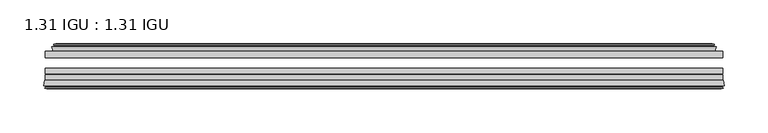
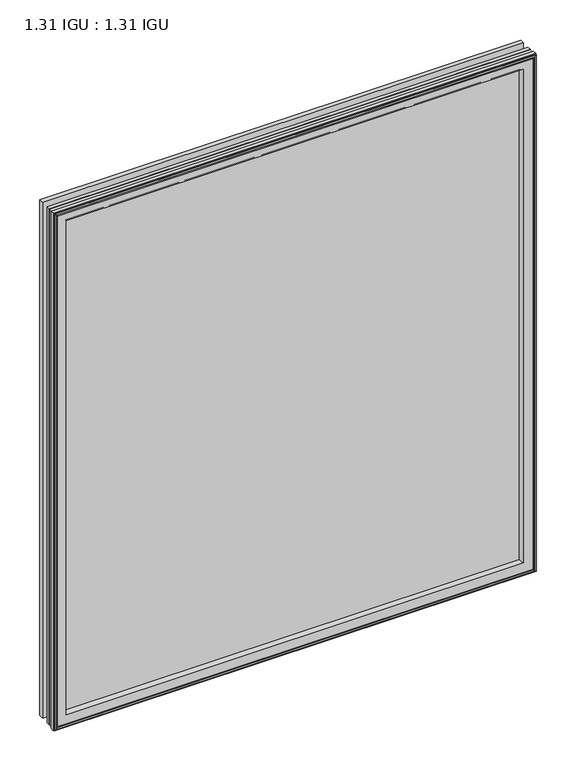
"""IFC4 building model written with IfcOpenShell, lengths in millimetres: plate geometry, 1.31 IGU : 1.31 IGU."""

from ifc_helpers import new_model, si_unit, frame, origin, place, context, project, spatial, polyline, ellipse_curve, outline, extrude, faceted_brep, source, transform, mapped, element, save
from ifc_brep_helpers import plane_surface, revolved_surface, advanced_brep


def plate_1_31_igu_1_31_igu_892af6a4(model_context):
    return source(origin(), model_context, "Body", "SolidModel", [
        extrude(outline(polyline([(386.5221354, -17.9712937), (386.5221354, -25.8960937), (-386.5221354, -25.8960937), (-386.5221354, -17.9712937), (386.5221354, -17.9712937)])), frame((0.0, 0.0, -19.05), z_axis=(0.0, 0.0, 1.0), x_axis=(1.0, 0.0, 0.0)), (0.0, 0.0, 1.0), 876.3),
        extrude(outline(polyline([(-386.5221354, -51.2960937), (-386.5221354, -44.9460937), (386.5221354, -44.9460937), (386.5221354, -51.2960937), (-386.5221354, -51.2960937)])), frame((0.0, 0.0, -19.05), z_axis=(0.0, 0.0, 1.0), x_axis=(1.0, 0.0, 0.0)), (0.0, 0.0, 1.0), 876.3),
        extrude(outline(polyline([(-386.5221354, -44.1586938), (-386.5221354, -37.8086938), (386.5221354, -37.8086938), (386.5221354, -44.1586938), (-386.5221354, -44.1586938)])), frame((0.0, 0.0, -19.05), z_axis=(0.0, 0.0, 1.0), x_axis=(1.0, 0.0, 0.0)), (0.0, 0.0, 1.0), 876.3),
        faceted_brep([(-377.6035358, -17.9712937, 848.3314005), (-379.2477691, -13.1960937, 849.9756337), (-379.2477691, -13.1960937, -11.7756337), (-377.6035358, -17.9712937, -10.1314005), (-367.9928354, -13.1960937, 838.7207), (-366.8234048, -17.9712937, 837.5512695), (-366.8234048, -17.9712937, 0.6487305), (-367.9928354, -13.1960937, -0.5207), (-373.5575556, -10.902778, 844.2854203), (-372.9430635, -13.1960937, 843.6709281), (-372.9430635, -13.1960937, -5.4709281), (-373.5575556, -10.902778, -6.0854203), (-372.1653063, -11.27583, 842.8931709), (-372.1653063, -11.27583, -4.6931709), (-371.933989, -10.4125422, 842.6618537), (-371.933989, -10.4125422, -4.4618537), (-374.3428354, -9.7670937, 845.0707), (-374.3428354, -9.7670937, -6.8707), (-376.7516817, -10.4125422, 847.4795463), (-376.7516817, -10.4125422, -9.2795463), (-376.5203644, -11.27583, 847.2482291), (-376.5203644, -11.27583, -9.0482291), (-375.1335368, -10.9042307, 845.8614014), (-375.1335368, -10.9042307, -7.6614014), (-375.8782082, -13.1960937, 846.6060729), (-375.8782082, -13.1960937, -8.4060729), (379.2477691, -13.1960937, -11.7756337), (377.6035358, -17.9712937, -10.1314005), (366.8234048, -17.9712937, 0.6487305), (367.9928354, -13.1960937, -0.5207), (372.9430635, -13.1960937, -5.4709281), (373.5575556, -10.902778, -6.0854203), (372.1653063, -11.27583, -4.6931709), (371.933989, -10.4125422, -4.4618537), (374.3428354, -9.7670937, -6.8707), (376.7516817, -10.4125422, -9.2795463), (376.5203644, -11.27583, -9.0482291), (375.1335368, -10.9042307, -7.6614014), (375.8782082, -13.1960937, -8.4060729), (379.2477691, -13.1960937, 849.9756337), (377.6035358, -17.9712937, 848.3314005), (366.8234048, -17.9712937, 837.5512695), (367.9928354, -13.1960937, 838.7207), (372.9430635, -13.1960937, 843.6709281), (373.5575556, -10.902778, 844.2854203), (372.1653063, -11.27583, 842.8931709), (371.933989, -10.4125422, 842.6618537), (374.3428354, -9.7670937, 845.0707), (376.7516817, -10.4125422, 847.4795463), (376.5203644, -11.27583, 847.2482291), (375.1335368, -10.9042307, 845.8614014), (375.8782082, -13.1960937, 846.6060729)], [[[0, 1, 2, 3]], [[4, 5, 6, 7]], [[8, 9, 10, 11]], [[12, 8, 11, 13]], [[14, 12, 13, 15]], [[16, 14, 15, 17]], [[18, 16, 17, 19]], [[20, 18, 19, 21]], [[22, 20, 21, 23]], [[24, 22, 23, 25]], [[3, 2, 26, 27]], [[7, 6, 28, 29]], [[11, 10, 30, 31]], [[13, 11, 31, 32]], [[15, 13, 32, 33]], [[17, 15, 33, 34]], [[19, 17, 34, 35]], [[21, 19, 35, 36]], [[23, 21, 36, 37]], [[25, 23, 37, 38]], [[27, 26, 39, 40]], [[29, 28, 41, 42]], [[31, 30, 43, 44]], [[32, 31, 44, 45]], [[33, 32, 45, 46]], [[34, 33, 46, 47]], [[35, 34, 47, 48]], [[36, 35, 48, 49]], [[37, 36, 49, 50]], [[38, 37, 50, 51]], [[40, 39, 1, 0]], [[3, 27, 40, 0], [5, 41, 28, 6]], [[42, 41, 5, 4]], [[9, 43, 30, 10], [7, 29, 42, 4]], [[44, 43, 9, 8]], [[45, 44, 8, 12]], [[46, 45, 12, 14]], [[47, 46, 14, 16]], [[48, 47, 16, 18]], [[49, 48, 18, 20]], [[50, 49, 20, 22]], [[51, 50, 22, 24]], [[1, 39, 26, 2], [25, 38, 51, 24]]]),
        advanced_brep(
        [(-363.8348204, -51.2960937, 834.5626851), (-367.4721354, -57.6460937, 838.2), (-367.4721354, -57.6460937, 0.0), (-363.8348204, -51.2960937, 3.6373149), (-388.1179137, -57.6460937, 858.8457783), (-387.3382317, -51.2960937, 858.0660964), (-387.3382317, -51.2960937, -19.8660964), (-388.1179137, -57.6460937, -20.6457783), (-385.7179098, -59.6558685, 856.4457744), (-386.1769366, -57.6460937, 856.9048013), (-386.1769366, -57.6460937, -18.7048013), (-385.7179098, -59.6558685, -18.2457744), (-386.7015941, -59.3738016, 857.4294588), (-386.7015941, -59.3738016, -19.2294588), (-386.9550786, -60.2578071, 857.6829433), (-386.9550786, -60.2578071, -19.4829433), (-384.9321351, -60.8378768, 855.6599998), (-384.9321351, -60.8378768, -17.4599998), (-382.8884743, -60.2902795, 853.6163389), (-382.8884743, -60.2902795, -15.4163389), (-383.1333436, -59.3764147, 853.8612083), (-383.1333436, -59.3764147, -15.6612083), (-384.1559774, -59.6504286, 854.8838421), (-384.1559774, -59.6504286, -16.6838421), (-383.6932403, -57.6460937, 854.4211049), (-383.6932403, -57.6460937, -16.2211049), (367.4721354, -57.6460938, 0.0), (363.8348204, -51.2960937, 3.6373149), (387.3382317, -51.2960937, -19.8660964), (388.1179137, -57.6460938, -20.6457783), (386.1769366, -57.6460938, -18.7048013), (385.7179098, -59.6558685, -18.2457744), (386.7015941, -59.3738016, -19.2294588), (386.9550786, -60.2578071, -19.4829433), (384.9321351, -60.8378768, -17.4599998), (382.8884743, -60.2902795, -15.4163389), (383.1333436, -59.3764147, -15.6612083), (384.1559774, -59.6504286, -16.6838421), (383.6932403, -57.6460938, -16.2211049), (367.4721354, -57.6460938, 838.2), (363.8348204, -51.2960937, 834.5626851), (387.3382317, -51.2960937, 858.0660964), (388.1179137, -57.6460938, 858.8457783), (386.1769366, -57.6460938, 856.9048013), (385.7179098, -59.6558685, 856.4457744), (386.7015941, -59.3738016, 857.4294588), (386.9550786, -60.2578071, 857.6829433), (384.9321351, -60.8378768, 855.6599998), (382.8884743, -60.2902795, 853.6163389), (383.1333436, -59.3764147, 853.8612083), (384.1559774, -59.6504286, 854.8838421), (383.6932403, -57.6460938, 854.4211049)],
        [
            (0, 1, ellipse_curve(frame((-359.0411903, -58.2586484, 829.769055), z_axis=(0.7071067811865475, 0.0, 0.7071067811865475), x_axis=(0.7071067811865474, 0.0, -0.7071067811865476)), 11.9545855, 8.4531685)),
            (1, 2),
            (2, 3, ellipse_curve(frame((-359.0411903, -58.2586484, 8.430945), z_axis=(0.7071067811865475, 0.0, -0.7071067811865475), x_axis=(-0.7071067811865474, 0.0, -0.7071067811865476)), 11.9545855, 8.4531685)),
            (3, 0),
            (4, 5),
            (5, 6),
            (6, 7),
            (7, 4),
            (8, 9),
            (9, 10),
            (10, 11),
            (11, 8),
            (12, 8),
            (11, 13),
            (13, 12),
            (14, 12),
            (13, 15),
            (15, 14),
            (16, 14),
            (15, 17),
            (17, 16),
            (18, 16),
            (17, 19),
            (19, 18),
            (20, 18),
            (19, 21),
            (21, 20),
            (22, 20),
            (21, 23),
            (23, 22),
            (24, 22),
            (23, 25),
            (25, 24),
            (2, 26),
            (26, 27, ellipse_curve(frame((359.0411903, -58.2586484, 8.430945), z_axis=(0.7071067811865475, 0.0, 0.7071067811865475), x_axis=(0.7071067811865476, 0.0, -0.7071067811865474)), 11.9545855, 8.4531685)),
            (27, 3),
            (6, 28),
            (28, 29),
            (29, 7),
            (10, 30),
            (30, 31),
            (31, 11),
            (31, 32),
            (32, 13),
            (32, 33),
            (33, 15),
            (33, 34),
            (34, 17),
            (34, 35),
            (35, 19),
            (35, 36),
            (36, 21),
            (36, 37),
            (37, 23),
            (37, 38),
            (38, 25),
            (26, 39),
            (39, 40, ellipse_curve(frame((359.0411903, -58.2586484, 829.769055), z_axis=(-0.7071067811865475, 0.0, 0.7071067811865475), x_axis=(0.7071067811865474, 0.0, 0.7071067811865476)), 11.9545855, 8.4531685)),
            (40, 27),
            (28, 41),
            (41, 42),
            (42, 29),
            (30, 43),
            (43, 44),
            (44, 31),
            (44, 45),
            (45, 32),
            (45, 46),
            (46, 33),
            (46, 47),
            (47, 34),
            (47, 48),
            (48, 35),
            (48, 49),
            (49, 36),
            (49, 50),
            (50, 37),
            (50, 51),
            (51, 38),
            (51, 24),
            (1, 39),
            (0, 40),
            (5, 41),
            (4, 42),
            (9, 43),
            (8, 44),
            (12, 45),
            (14, 46),
            (16, 47),
            (18, 48),
            (20, 49),
            (22, 50),
        ],
        [
            revolved_surface(polyline([(-367.4943588, -58.2586484, -0.02222347332440222), (-367.4943588, -58.2586484, 838.2222234733243)]), (-359.0411903, -58.2586484, 869.95), (0.0, 0.0, -1.0)),
            plane_surface(frame((-387.3382317, -51.2960937, 858.0660964), z_axis=(-0.9925461516413234, 0.12186934340513635, 0.0), x_axis=(0.0, 0.0, -1.0))),
            plane_surface(frame((-386.1769366, -57.6460937, 856.9048013), z_axis=(-0.9748953990049444, -0.22266333555165796, 0.0), x_axis=(0.0, 0.0, -1.0))),
            plane_surface(frame((-385.7179098, -59.6558685, 856.4457744), z_axis=(0.27563735581726606, 0.9612616959382424, 0.0), x_axis=(0.0, 0.0, -1.0))),
            plane_surface(frame((-386.7015941, -59.3738016, 857.4294588), z_axis=(-0.9612616959382463, 0.2756373558172523, 0.0), x_axis=(0.0, 0.0, -1.0))),
            plane_surface(frame((-386.9550786, -60.2578071, 857.6829433), z_axis=(-0.2756373558170135, -0.9612616959383148, 0.0), x_axis=(0.0, 0.0, -1.0))),
            plane_surface(frame((-384.9321351, -60.8378768, 855.6599998), z_axis=(0.25881904510226056, -0.965925826289138, 0.0), x_axis=(0.0, 0.0, -1.0))),
            plane_surface(frame((-382.8884743, -60.2902795, 853.6163389), z_axis=(0.9659258262891444, 0.25881904510223736, 0.0), x_axis=(0.0, 0.0, -1.0))),
            plane_surface(frame((-383.1333436, -59.3764147, 853.8612083), z_axis=(-0.2588190451025015, 0.9659258262890735, 0.0), x_axis=(0.0, 0.0, -1.0))),
            plane_surface(frame((-384.1559774, -59.6504286, 854.8838421), z_axis=(0.9743700647852117, -0.22495105434396692, 0.0), x_axis=(0.0, 0.0, -1.0))),
            revolved_surface(polyline([(367.49435877332434, -58.2586484, -0.02222350000000084), (-367.49435877332434, -58.2586484, -0.02222350000000084)]), (-399.2221354, -58.2586484, 8.430945), (1.0, 0.0, 0.0)),
            plane_surface(frame((-387.3382317, -51.2960937, -19.8660964), z_axis=(0.0, 0.12186934340513315, -0.9925461516413239), x_axis=(1.0, 0.0, 0.0))),
            plane_surface(frame((-386.1769366, -57.6460937, -18.7048013), z_axis=(0.0, -0.2226633355516611, -0.9748953990049437), x_axis=(1.0, 0.0, 0.0))),
            plane_surface(frame((-385.7179098, -59.6558685, -18.2457744), z_axis=(0.0, 0.9612616959382433, 0.27563735581726295), x_axis=(1.0, 0.0, 0.0))),
            plane_surface(frame((-386.7015941, -59.3738016, -19.2294588), z_axis=(0.0, 0.2756373558172492, -0.9612616959382472), x_axis=(1.0, 0.0, 0.0))),
            plane_surface(frame((-386.9550786, -60.2578071, -19.4829433), z_axis=(0.0, -0.9612616959383157, -0.2756373558170104), x_axis=(1.0, 0.0, 0.0))),
            plane_surface(frame((-384.9321351, -60.8378768, -17.4599998), z_axis=(0.0, -0.9659258262891373, 0.2588190451022637), x_axis=(1.0, 0.0, 0.0))),
            plane_surface(frame((-382.8884743, -60.2902795, -15.4163389), z_axis=(0.0, 0.25881904510224046, 0.9659258262891435), x_axis=(1.0, 0.0, 0.0))),
            plane_surface(frame((-383.1333436, -59.3764147, -15.6612083), z_axis=(0.0, 0.9659258262890726, -0.2588190451025046), x_axis=(1.0, 0.0, 0.0))),
            plane_surface(frame((-384.1559774, -59.6504286, -16.6838421), z_axis=(0.0, -0.22495105434396379, 0.9743700647852125), x_axis=(1.0, 0.0, 0.0))),
            revolved_surface(polyline([(367.4943588, -58.2586484, 838.2222234733243), (367.4943588, -58.2586484, -0.022223473324370246)]), (359.0411903, -58.2586484, -31.75), (0.0, 0.0, 1.0)),
            plane_surface(frame((387.3382317, -51.2960937, -19.8660964), z_axis=(0.9925461516413243, 0.12186934340512996, 0.0), x_axis=(0.0, 0.0, 1.0))),
            plane_surface(frame((386.1769366, -57.6460938, -18.7048013), z_axis=(0.974895399004943, -0.22266333555166423, 0.0), x_axis=(0.0, 0.0, 1.0))),
            plane_surface(frame((385.7179098, -59.6558685, -18.2457744), z_axis=(-0.27563735581725984, 0.9612616959382442, 0.0), x_axis=(0.0, 0.0, 1.0))),
            plane_surface(frame((386.7015941, -59.3738016, -19.2294588), z_axis=(0.9612616959382481, 0.2756373558172461, 0.0), x_axis=(0.0, 0.0, 1.0))),
            plane_surface(frame((386.9550786, -60.2578071, -19.4829433), z_axis=(0.27563735581700727, -0.9612616959383166, 0.0), x_axis=(0.0, 0.0, 1.0))),
            plane_surface(frame((384.9321351, -60.8378768, -17.4599998), z_axis=(-0.25881904510226683, -0.9659258262891364, 0.0), x_axis=(0.0, 0.0, 1.0))),
            plane_surface(frame((382.8884743, -60.2902795, -15.4163389), z_axis=(-0.9659258262891426, 0.2588190451022436, 0.0), x_axis=(0.0, 0.0, 1.0))),
            plane_surface(frame((383.1333436, -59.3764147, -15.6612083), z_axis=(0.2588190451025077, 0.9659258262890718, 0.0), x_axis=(0.0, 0.0, 1.0))),
            plane_surface(frame((384.1559774, -59.6504286, -16.6838421), z_axis=(-0.9743700647852133, -0.22495105434396065, 0.0), x_axis=(0.0, 0.0, 1.0))),
            plane_surface(frame((383.6932403, -57.6460938, 854.4211049), z_axis=(0.0, -1.0, 0.0), x_axis=(-1.0, 0.0, 0.0))),
            revolved_surface(polyline([(-367.49435877332434, -58.2586484, 838.2222234999999), (367.49435877332434, -58.2586484, 838.2222234999999)]), (399.2221354, -58.2586484, 829.769055), (-1.0, 0.0, 0.0)),
            plane_surface(frame((363.8348204, -51.2960937, 834.5626851), z_axis=(0.0, 1.0, 0.0), x_axis=(-1.0, 0.0, 0.0))),
            plane_surface(frame((387.3382317, -51.2960937, 858.0660964), z_axis=(0.0, 0.12186934340513315, 0.9925461516413239), x_axis=(-1.0, 0.0, 0.0))),
            plane_surface(frame((388.1179137, -57.6460938, 858.8457783), z_axis=(0.0, -1.0, 0.0), x_axis=(-1.0, 0.0, 0.0))),
            plane_surface(frame((386.1769366, -57.6460938, 856.9048013), z_axis=(0.0, -0.2226633355516611, 0.9748953990049437), x_axis=(-1.0, 0.0, 0.0))),
            plane_surface(frame((385.7179098, -59.6558685, 856.4457744), z_axis=(0.0, 0.9612616959382433, -0.27563735581726295), x_axis=(-1.0, 0.0, 0.0))),
            plane_surface(frame((386.7015941, -59.3738016, 857.4294588), z_axis=(0.0, 0.2756373558172492, 0.9612616959382472), x_axis=(-1.0, 0.0, 0.0))),
            plane_surface(frame((386.9550786, -60.2578071, 857.6829433), z_axis=(0.0, -0.9612616959383157, 0.2756373558170104), x_axis=(-1.0, 0.0, 0.0))),
            plane_surface(frame((384.9321351, -60.8378768, 855.6599998), z_axis=(0.0, -0.9659258262891373, -0.2588190451022637), x_axis=(-1.0, 0.0, 0.0))),
            plane_surface(frame((382.8884743, -60.2902795, 853.6163389), z_axis=(0.0, 0.25881904510224046, -0.9659258262891435), x_axis=(-1.0, 0.0, 0.0))),
            plane_surface(frame((383.1333436, -59.3764147, 853.8612083), z_axis=(0.0, 0.9659258262890726, 0.2588190451025046), x_axis=(-1.0, 0.0, 0.0))),
            plane_surface(frame((384.1559774, -59.6504286, 854.8838421), z_axis=(0.0, -0.22495105434396379, -0.9743700647852125), x_axis=(-1.0, 0.0, 0.0))),
        ],
        [
            (0, [[1, 2, 3, 4]]),
            (1, [[5, 6, 7, 8]]),
            (2, [[9, 10, 11, 12]]),
            (3, [[13, -12, 14, 15]]),
            (4, [[16, -15, 17, 18]]),
            (5, [[19, -18, 20, 21]]),
            (6, [[22, -21, 23, 24]]),
            (7, [[25, -24, 26, 27]]),
            (8, [[28, -27, 29, 30]]),
            (9, [[31, -30, 32, 33]]),
            (10, [[-3, 34, 35, 36]]),
            (11, [[-7, 37, 38, 39]]),
            (12, [[-11, 40, 41, 42]]),
            (13, [[-14, -42, 43, 44]]),
            (14, [[-17, -44, 45, 46]]),
            (15, [[-20, -46, 47, 48]]),
            (16, [[-23, -48, 49, 50]]),
            (17, [[-26, -50, 51, 52]]),
            (18, [[-29, -52, 53, 54]]),
            (19, [[-32, -54, 55, 56]]),
            (20, [[-35, 57, 58, 59]]),
            (21, [[-38, 60, 61, 62]]),
            (22, [[-41, 63, 64, 65]]),
            (23, [[-43, -65, 66, 67]]),
            (24, [[-45, -67, 68, 69]]),
            (25, [[-47, -69, 70, 71]]),
            (26, [[-49, -71, 72, 73]]),
            (27, [[-51, -73, 74, 75]]),
            (28, [[-53, -75, 76, 77]]),
            (29, [[-55, -77, 78, 79]]),
            (30, [[-56, -79, 80, -33], [81, -57, -34, -2]]),
            (31, [[-58, -81, -1, 82]]),
            (32, [[83, -60, -37, -6], [-36, -59, -82, -4]]),
            (33, [[-61, -83, -5, 84]]),
            (34, [[-39, -62, -84, -8], [85, -63, -40, -10]]),
            (35, [[-64, -85, -9, 86]]),
            (36, [[-66, -86, -13, 87]]),
            (37, [[-68, -87, -16, 88]]),
            (38, [[-70, -88, -19, 89]]),
            (39, [[-72, -89, -22, 90]]),
            (40, [[-74, -90, -25, 91]]),
            (41, [[-76, -91, -28, 92]]),
            (42, [[-78, -92, -31, -80]]),
        ],
    ),
    ])


if __name__ == "__main__":
    model = new_model("IFC4")
    model_context = context("Model", 3, world=origin())
    ifc_project = project(units=[si_unit("LENGTHUNIT", "METRE", prefix="MILLI")], contexts=[model_context])
    site = spatial("IfcSite", under=ifc_project)
    building = spatial("IfcBuilding", under=site)
    placement = place(None, origin())
    plate_1_31_igu_1_31_igu_shape = plate_1_31_igu_1_31_igu_892af6a4(model_context)
    element("IfcPlate", 1, ObjectType="1.31 IGU : 1.31 IGU", at=placement, inside=building, context=model_context, shape_type="MappedRepresentation", body=[
        mapped(plate_1_31_igu_1_31_igu_shape, transform((0.0, 0.0, 0.0), x_axis=(1.0, 0.0, 0.0), y_axis=(0.0, 1.0, 0.0), z_axis=(0.0, 0.0, 1.0))),
    ])
    save(model, "model.ifc")
